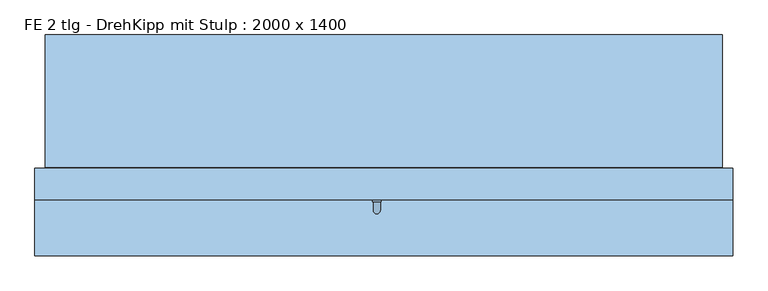
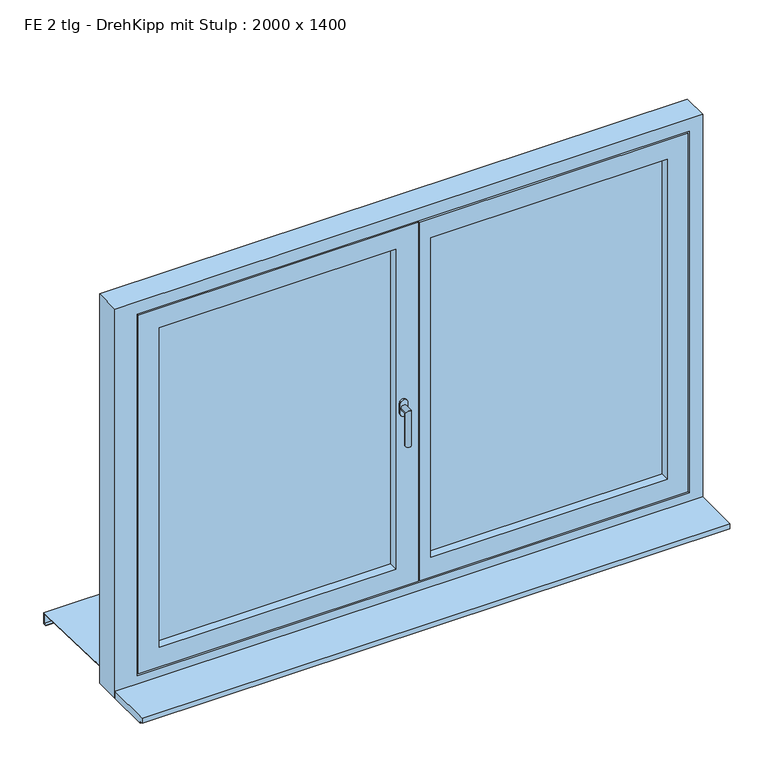
"""IFC4 building model written with IfcOpenShell, lengths in millimetres: window geometry, FE 2 tlg - DrehKipp mit Stulp : 2000 x 1400."""

from ifc_helpers import new_model, si_unit, frame, origin, place, context, project, spatial, polyline, circle_curve, ellipse_curve, outline, extrude, faceted_brep, source, transform, mapped, element, save
from ifc_brep_helpers import plane_surface, cylinder_surface, advanced_brep


def fe_2_tlg_drehkipp_mit_stulp_2000_x_1400_0df88015(model_context):
    return source(origin(), model_context, "Body", "SolidModel", [
        advanced_brep(
        [(-32.5, -90.0, 1572.5), (-7.5, -90.0, 1572.5), (-7.5, -90.0, 1555.0), (-7.5, -90.0, 1537.5), (-32.5, -90.0, 1537.5), (-32.5, -90.0, 1555.0), (-10.0, -120.0, 1555.0), (-10.0, -96.0, 1555.0), (-30.0, -96.0, 1555.0), (-30.0, -120.0, 1555.0), (-10.0, -120.0, 1435.0), (-30.0, -120.0, 1435.0), (-32.5, -96.0, 1572.5), (-32.5, -96.0, 1555.0), (-32.5, -96.0, 1537.5), (-7.5, -96.0, 1537.5), (-7.5, -96.0, 1555.0), (-7.5, -96.0, 1572.5)],
        [
            (0, 1, circle_curve(frame((-20.0, -90.0, 1572.5), z_axis=(0.0, 1.0, 0.0), x_axis=(-1.0, 0.0, 0.0)), 12.5)),
            (1, 2),
            (2, 3),
            (3, 4, circle_curve(frame((-20.0, -90.0, 1537.5), z_axis=(0.0, 1.0, 0.0), x_axis=(-1.0, 0.0, 0.0)), 12.5)),
            (4, 5),
            (5, 0),
            (6, 7),
            (7, 8, circle_curve(frame((-20.0, -96.0, 1555.0), z_axis=(0.0, -1.0, 0.0), x_axis=(-1.0, 0.0, 0.0)), 10.0)),
            (8, 9),
            (9, 6, ellipse_curve(frame((-20.0, -120.0, 1555.0), z_axis=(0.0, 0.7071067811865498, 0.7071067811865451), x_axis=(0.0, 0.7071067811865452, -0.7071067811865497)), 14.1421356, 10.0)),
            (8, 7, circle_curve(frame((-20.0, -96.0, 1555.0), z_axis=(0.0, -1.0, 0.0), x_axis=(-1.0, 0.0, 0.0)), 10.0)),
            (6, 9, ellipse_curve(frame((-20.0, -120.0, 1555.0), z_axis=(0.0, 0.7071067811865498, 0.7071067811865451), x_axis=(0.0, 0.7071067811865452, -0.7071067811865497)), 14.1421356, 10.0)),
            (10, 11, circle_curve(frame((-20.0, -120.0, 1435.0), z_axis=(0.0, 0.0, -1.0), x_axis=(-1.0, 0.0, 0.0)), 10.0)),
            (11, 10, circle_curve(frame((-20.0, -120.0, 1435.0), z_axis=(0.0, 0.0, -1.0), x_axis=(-1.0, 0.0, 0.0)), 10.0)),
            (9, 11),
            (10, 6),
            (12, 13),
            (13, 14),
            (14, 15, circle_curve(frame((-20.0, -96.0, 1537.5), z_axis=(0.0, -1.0, 0.0), x_axis=(-1.0, 0.0, 0.0)), 12.5)),
            (15, 16),
            (16, 17),
            (17, 12, circle_curve(frame((-20.0, -96.0, 1572.5), z_axis=(0.0, -1.0, 0.0), x_axis=(-1.0, 0.0, 0.0)), 12.5)),
            (17, 1),
            (0, 12),
            (16, 2),
            (15, 3),
            (14, 4),
            (13, 5),
        ],
        [
            plane_surface(frame((-20.0, -90.0, 1555.0), z_axis=(0.0, 1.0, 0.0), x_axis=(-1.0, 0.0, 0.0))),
            cylinder_surface(frame((-20.0, -90.0, 1555.0), z_axis=(0.0, 1.0, 0.0), x_axis=(-1.0, 0.0, 0.0)), 10.0),
            plane_surface(frame((-20.0, -120.0, 1435.0), z_axis=(0.0, 0.0, -1.0), x_axis=(-1.0, 0.0, 0.0))),
            cylinder_surface(frame((-20.0, -120.0, 1555.0), z_axis=(0.0, 0.0, 1.0), x_axis=(-1.0, 0.0, 0.0)), 10.0),
            plane_surface(frame((-32.5, -96.0, 1572.5), z_axis=(0.0, -1.0, 0.0), x_axis=(0.0, 0.0, 1.0))),
            cylinder_surface(frame((-20.0, -90.0, 1572.5), z_axis=(0.0, -1.0, 0.0), x_axis=(-1.0, 0.0, 0.0)), 12.5),
            plane_surface(frame((-7.5, -96.0, 1572.5), z_axis=(1.0, 0.0, 0.0), x_axis=(0.0, 1.0, 0.0))),
            plane_surface(frame((-7.5, -96.0, 1555.0), z_axis=(1.0, 0.0, 0.0), x_axis=(0.0, 1.0, 0.0))),
            cylinder_surface(frame((-20.0, -90.0, 1537.5), z_axis=(0.0, -1.0, 0.0), x_axis=(-1.0, 0.0, 0.0)), 12.5),
            plane_surface(frame((-32.5, -96.0, 1537.5), z_axis=(-1.0, 0.0, 0.0), x_axis=(0.0, 1.0, 0.0))),
            plane_surface(frame((-32.5, -96.0, 1555.0), z_axis=(-1.0, 0.0, 0.0), x_axis=(0.0, 1.0, 0.0))),
        ],
        [
            (0, [[1, 2, 3, 4, 5, 6]]),
            (1, [[7, 8, 9, 10]]),
            (1, [[-9, 11, -7, 12]]),
            (2, [[13, 14]]),
            (3, [[15, -13, 16, -10]]),
            (3, [[-16, -14, -15, -12]]),
            (4, [[17, 18, 19, 20, 21, 22], [-11, -8]]),
            (5, [[23, -1, 24, -22]]),
            (6, [[25, -2, -23, -21]]),
            (7, [[26, -3, -25, -20]]),
            (8, [[27, -4, -26, -19]]),
            (9, [[28, -5, -27, -18]]),
            (10, [[-24, -6, -28, -17]]),
        ],
    ),
        extrude(outline(polyline([(75.0, -59.0), (75.0, -15.0), (880.0, -15.0), (880.0, -59.0), (75.0, -59.0)])), frame((0.0, 0.0, 980.0), z_axis=(0.0, 0.0, 1.0), x_axis=(1.0, 0.0, 0.0)), (0.0, 0.0, 1.0), 1150.0),
        extrude(outline(polyline([(-850.0, -15.0), (-45.0, -15.0), (-45.0, -59.0), (-850.0, -59.0), (-850.0, -15.0)])), frame((0.0, 0.0, 980.0), z_axis=(0.0, 0.0, 1.0), x_axis=(1.0, 0.0, 0.0)), (0.0, 0.0, 1.0), 1150.0),
        faceted_brep([(-2.5, 0.0, 2160.0), (910.0, 0.0, 2160.0), (910.0, 0.0, 950.0), (-2.5, 0.0, 950.0), (75.0, 0.0, 2130.0), (75.0, 0.0, 980.0), (880.0, 0.0, 980.0), (880.0, 0.0, 2130.0), (37.5, -90.0, 910.0), (37.5, -75.0, 910.0), (950.0, -75.0, 910.0), (950.0, -90.0, 910.0), (950.0, -75.0, 2200.0), (950.0, -90.0, 2200.0), (37.5, -90.0, 2200.0), (75.0, -90.0, 2130.0), (880.0, -90.0, 2130.0), (880.0, -90.0, 980.0), (75.0, -90.0, 980.0), (37.5, -75.0, 2200.0), (37.5, -75.0, 2185.0), (37.5, -75.0, 925.0), (-2.5, -15.0, 950.0), (-2.5, -15.0, 2160.0), (12.5, -15.0, 950.0), (12.5, -15.0, 2160.0), (12.5, -15.0, 935.0), (12.5, -45.0, 935.0), (12.5, -45.0, 2175.0), (12.5, -15.0, 2175.0), (22.5, -45.0, 935.0), (22.5, -45.0, 2175.0), (22.5, -45.0, 925.0), (22.5, -75.0, 925.0), (22.5, -75.0, 2185.0), (22.5, -45.0, 2185.0), (910.0, -15.0, 950.0), (910.0, -15.0, 2160.0), (935.0, -75.0, 2185.0), (935.0, -75.0, 925.0), (925.0, -45.0, 935.0), (925.0, -15.0, 935.0), (925.0, -15.0, 2175.0), (935.0, -45.0, 925.0), (925.0, -45.0, 2175.0), (935.0, -45.0, 2185.0)], [[[0, 1, 2, 3], [4, 5, 6, 7]], [[8, 9, 10, 11]], [[11, 10, 12, 13]], [[13, 14, 8, 11], [15, 16, 17, 18]], [[18, 5, 4, 15]], [[17, 6, 5, 18]], [[16, 7, 6, 17]], [[13, 12, 19, 14]], [[15, 4, 7, 16]], [[14, 19, 20, 21, 9, 8]], [[3, 22, 23, 0]], [[22, 24, 25, 23]], [[24, 26, 27, 28, 29, 25]], [[27, 30, 31, 28]], [[30, 32, 33, 34, 35, 31]], [[33, 21, 20, 34]], [[36, 24, 22, 3, 2]], [[2, 1, 37, 36]], [[38, 20, 19, 12, 10, 9, 21, 39]], [[40, 30, 27, 26, 41]], [[37, 25, 29, 42, 41, 26, 24, 36]], [[39, 21, 33, 32, 43]], [[44, 31, 35, 45, 43, 32, 30, 40]], [[41, 42, 44, 40]], [[43, 45, 38, 39]], [[1, 0, 23, 25, 37]], [[42, 29, 28, 31, 44]], [[45, 35, 34, 20, 38]]]),
        faceted_brep([(-895.0, -15.0, 2175.0), (7.5, -15.0, 2175.0), (7.5, -15.0, 935.0), (-895.0, -15.0, 935.0), (-880.0, -15.0, 950.0), (-7.5, -15.0, 950.0), (-7.5, -15.0, 2160.0), (-880.0, -15.0, 2160.0), (-880.0, 0.0, 2160.0), (-880.0, 0.0, 950.0), (-7.5, 0.0, 950.0), (-7.5, 0.0, 2160.0), (-850.0, 0.0, 2130.0), (-850.0, 0.0, 980.0), (-45.0, 0.0, 980.0), (-45.0, 0.0, 2130.0), (-905.0, -45.0, 2185.0), (17.5, -45.0, 2185.0), (17.5, -45.0, 925.0), (-905.0, -45.0, 925.0), (-895.0, -45.0, 935.0), (7.5, -45.0, 935.0), (7.5, -45.0, 2175.0), (-895.0, -45.0, 2175.0), (-920.0, -75.0, 2200.0), (32.5, -75.0, 2200.0), (32.5, -75.0, 910.0), (-920.0, -75.0, 910.0), (-905.0, -75.0, 925.0), (17.5, -75.0, 925.0), (17.5, -75.0, 2185.0), (-905.0, -75.0, 2185.0), (-920.0, -90.0, 2200.0), (-920.0, -90.0, 910.0), (32.5, -90.0, 910.0), (32.5, -90.0, 2200.0), (-850.0, -90.0, 2130.0), (-45.0, -90.0, 2130.0), (-45.0, -90.0, 980.0), (-850.0, -90.0, 980.0)], [[[0, 1, 2, 3], [4, 5, 6, 7]], [[7, 8, 9, 4]], [[9, 10, 5, 4]], [[8, 11, 10, 9], [12, 13, 14, 15]], [[16, 17, 18, 19], [20, 21, 22, 23]], [[23, 0, 3, 20]], [[2, 21, 20, 3]], [[24, 25, 26, 27], [28, 29, 30, 31]], [[31, 16, 19, 28]], [[18, 29, 28, 19]], [[5, 10, 11, 6]], [[1, 22, 21, 2]], [[17, 30, 29, 18]], [[32, 24, 27, 33]], [[26, 34, 33, 27]], [[25, 35, 34, 26]], [[33, 34, 35, 32], [36, 37, 38, 39]], [[39, 13, 12, 36]], [[38, 14, 13, 39]], [[37, 15, 14, 38]], [[7, 6, 11, 8]], [[23, 22, 1, 0]], [[31, 30, 17, 16]], [[32, 35, 25, 24]], [[36, 12, 15, 37]]]),
        faceted_brep([(-970.0, 382.0, 861.3889103), (-970.0, 360.0, 862.0000214), (-970.0, 2.0, 871.9444659), (970.0, 2.0, 871.9444659), (970.0, 360.0, 862.0000214), (970.0, 382.0, 861.3889103), (-970.0, 382.0, 821.3889103), (970.0, 382.0, 821.3889103), (-970.0, 370.0, 821.3889103), (970.0, 370.0, 821.3889103), (-970.0, 370.0, 823.3889103), (970.0, 370.0, 823.3889103), (-970.0, 380.0, 823.3889103), (970.0, 380.0, 823.3889103), (-970.0, 380.0, 859.4444444), (970.0, 380.0, 859.4444444), (-970.0, 360.0, 860.0), (970.0, 360.0, 860.0), (970.0, 0.0, 870.0), (-970.0, 0.0, 870.0), (-970.0, 0.0, 890.0), (970.0, 0.0, 890.0), (-970.0, 2.0, 890.0), (970.0, 2.0, 890.0)], [[[0, 1, 2, 3, 4, 5]], [[6, 0, 5, 7]], [[8, 6, 7, 9]], [[10, 8, 9, 11]], [[12, 10, 11, 13]], [[14, 12, 13, 15]], [[16, 14, 15, 17, 18, 19]], [[20, 19, 18, 21]], [[22, 20, 21, 23]], [[2, 22, 23, 3]], [[16, 1, 0, 6, 8, 10, 12, 14]], [[17, 4, 3, 23, 21, 18]], [[1, 16, 19, 20, 22, 2]], [[4, 17, 15, 13, 11, 9, 7, 5]]]),
        faceted_brep([(1000.0, 0.0, 850.0), (1000.0, -90.0, 850.0), (-1000.0, -90.0, 850.0), (-1000.0, 0.0, 850.0), (1000.0, 0.0, 2250.0), (1000.0, -90.0, 2250.0), (-1000.0, -90.0, 2250.0), (955.0, -90.0, 2205.0), (955.0, -90.0, 905.0), (-925.0, -90.0, 905.0), (-925.0, -90.0, 2205.0), (-1000.0, 0.0, 2250.0), (915.0, 0.0, 945.0), (915.0, 0.0, 2165.0), (-885.0, 0.0, 2165.0), (-885.0, 0.0, 945.0), (915.0, -15.0, 945.0), (915.0, -15.0, 2165.0), (-885.0, -15.0, 945.0), (-885.0, -15.0, 2165.0), (955.0, -75.0, 2205.0), (955.0, -75.0, 905.0), (-925.0, -75.0, 905.0), (-925.0, -75.0, 2205.0), (940.0, -75.0, 2190.0), (940.0, -75.0, 920.0), (-910.0, -75.0, 920.0), (-910.0, -75.0, 2190.0), (940.0, -45.0, 920.0), (940.0, -45.0, 2190.0), (-910.0, -45.0, 2190.0), (-910.0, -45.0, 920.0), (930.0, -45.0, 2180.0), (930.0, -45.0, 930.0), (-900.0, -45.0, 930.0), (-900.0, -45.0, 2180.0), (930.0, -15.0, 930.0), (930.0, -15.0, 2180.0), (-900.0, -15.0, 2180.0), (-900.0, -15.0, 930.0)], [[[0, 1, 2, 3]], [[4, 5, 1, 0]], [[5, 6, 2, 1], [7, 8, 9, 10]], [[6, 11, 3, 2]], [[11, 4, 0, 3], [12, 13, 14, 15]], [[12, 16, 17, 13]], [[18, 15, 14, 19]], [[16, 12, 15, 18]], [[20, 21, 8, 7]], [[8, 21, 22, 9]], [[9, 22, 23, 10]], [[21, 20, 23, 22], [24, 25, 26, 27]], [[28, 29, 30, 31], [32, 33, 34, 35]], [[29, 28, 25, 24]], [[25, 28, 31, 26]], [[36, 37, 38, 39], [17, 16, 18, 19]], [[37, 36, 33, 32]], [[33, 36, 39, 34]], [[26, 31, 30, 27]], [[34, 39, 38, 35]], [[4, 11, 6, 5]], [[20, 7, 10, 23]], [[29, 24, 27, 30]], [[37, 32, 35, 38]], [[13, 17, 19, 14]]]),
        extrude(outline(polyline([(-250.0, 875.0), (-90.0, 875.0), (-90.0, 850.0), (-240.0, 850.0), (-240.0, 857.0), (-250.0, 857.0), (-250.0, 875.0)])), frame((-1000.0, 0.0, 0.0), z_axis=(1.0, 0.0, 0.0), x_axis=(0.0, 1.0, 0.0)), (0.0, 0.0, 1.0), 2000.0),
    ])


if __name__ == "__main__":
    model = new_model("IFC4")
    model_context = context("Model", 3, world=origin())
    ifc_project = project(units=[si_unit("LENGTHUNIT", "METRE", prefix="MILLI")], contexts=[model_context])
    site = spatial("IfcSite", under=ifc_project)
    building = spatial("IfcBuilding", under=site)
    placement = place(None, origin())
    fe_2_tlg_drehkipp_mit_stulp_2000_x_1400_shape = fe_2_tlg_drehkipp_mit_stulp_2000_x_1400_0df88015(model_context)
    element("IfcWindow", 1, ObjectType="FE 2 tlg - DrehKipp mit Stulp : 2000 x 1400", at=placement, inside=building, context=model_context, shape_type="MappedRepresentation", body=[
        mapped(fe_2_tlg_drehkipp_mit_stulp_2000_x_1400_shape, transform((0.0, 0.0, 0.0), x_axis=(1.0, 0.0, 0.0), y_axis=(0.0, 1.0, 0.0), z_axis=(0.0, 0.0, 1.0))),
    ])
    save(model, "model.ifc")
